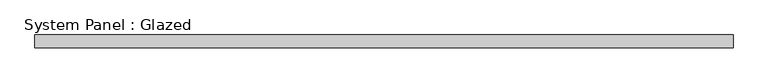
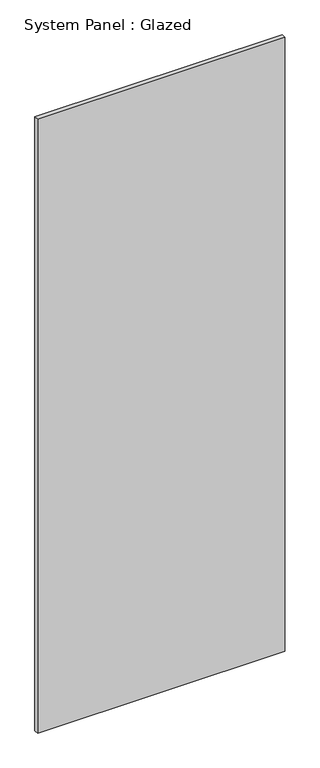
"""IFC4 building model written with IfcOpenShell, lengths in millimetres: plate geometry, System Panel : Glazed."""

from ifc_helpers import new_model, si_unit, origin, origin_with_axes, place, context, project, spatial, polyline, outline, extrude, source, transform, mapped, element, save


def system_panel_glazed_f8fc8bf2(model_context):
    return source(origin(), model_context, "Body", "SweptSolid", [
        extrude(outline(polyline([(697.5881809, 19.05), (-697.5881809, 19.05), (-697.5881809, 44.45), (697.5881809, 44.45), (697.5881809, 19.05)])), origin_with_axes(), (0.0, 0.0, 1.0), 3657.6),
    ])


if __name__ == "__main__":
    model = new_model("IFC4")
    model_context = context("Model", 3, world=origin())
    ifc_project = project(units=[si_unit("LENGTHUNIT", "METRE", prefix="MILLI")], contexts=[model_context])
    site = spatial("IfcSite", under=ifc_project)
    building = spatial("IfcBuilding", under=site)
    placement = place(None, origin())
    system_panel_glazed_shape = system_panel_glazed_f8fc8bf2(model_context)
    element("IfcPlate", 1, ObjectType="System Panel : Glazed", at=placement, inside=building, context=model_context, shape_type="MappedRepresentation", body=[
        mapped(system_panel_glazed_shape, transform((0.0, 0.0, 0.0), x_axis=(1.0, 0.0, 0.0), y_axis=(0.0, 1.0, 0.0), z_axis=(0.0, 0.0, 1.0))),
    ])
    save(model, "model.ifc")
